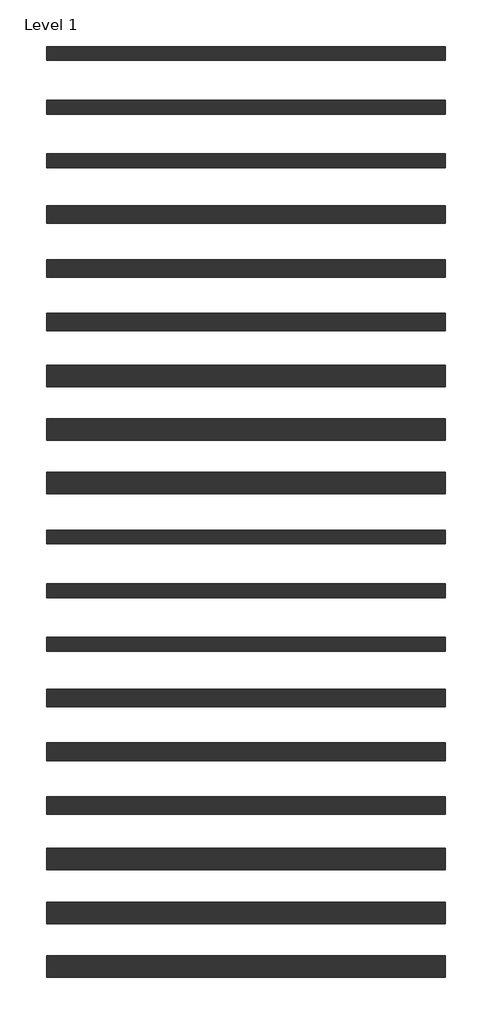
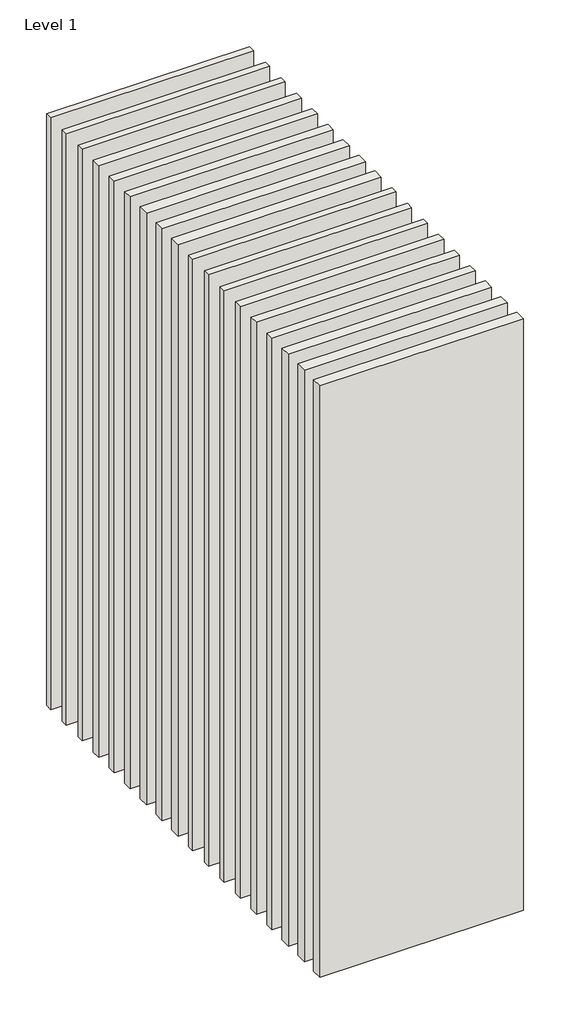
# One storey: 18 walls.
"""IFC4 building model written with IfcOpenShell, lengths in millimetres."""

import ifcopenshell
import ifcopenshell.guid

model = None  # the IFC model being written
_history = None  # IfcOwnerHistory: only IFC2X3 demands one
_inside = {}  # id of a spatial element -> (the spatial element, [elements in it])
_under = {}  # id of a project, library or spatial element -> (it, [spatial elements below it])
_declared = {}  # id of a project -> (the project, [libraries it declares])
_typed = {}  # id of a type object -> (the type object, [elements of that type])
_made_of = {}  # id of a material, layer set ... -> (it, [elements and type objects made of it])


def new_model(schema):
    """Start an empty IFC model of exactly this schema.

    Asked for "IFC4X3", IfcOpenShell would pick the latest addendum, in which some entities
    have other attributes; the version numbers below select the first issue.
    IFC2X3 requires an IfcOwnerHistory on every rooted entity: one is made here for all.
    """
    global model, _history
    if schema == "IFC4X3":
        model = ifcopenshell.file(schema_version=(4, 3, 0, 0))
    else:
        model = ifcopenshell.file(schema=schema)
    _inside.clear()
    _under.clear()
    _declared.clear()
    _typed.clear()
    _made_of.clear()
    _history = None
    if model.schema == "IFC2X3":
        org = make("IfcOrganization", Name="unknown")
        user = make(
            "IfcPersonAndOrganization",
            ThePerson=make("IfcPerson", FamilyName="unknown"),
            TheOrganization=org,
        )
        app = make(
            "IfcApplication",
            ApplicationDeveloper=org,
            Version="unknown",
            ApplicationFullName="unknown",
            ApplicationIdentifier="unknown",
        )
        _history = make(
            "IfcOwnerHistory",
            OwningUser=user,
            OwningApplication=app,
            ChangeAction="ADDED",
            CreationDate=0,
        )
    return model


def make(cls, **values):
    """One entity of the class cls with the attributes given. An attribute that is None is left unset."""
    return model.create_entity(
        cls, **{name: value for name, value in values.items() if value is not None}
    )


def rooted(cls, **values):
    """An entity with a GlobalId (a new one), such as an element, a storey or a relation."""
    return make(cls, GlobalId=ifcopenshell.guid.new(), OwnerHistory=_history, **values)


def si_unit(unit_type, name, prefix=None):
    """IfcSIUnit, for example si_unit("LENGTHUNIT", "METRE", prefix="MILLI")."""
    return make("IfcSIUnit", UnitType=unit_type, Prefix=prefix, Name=name)


def assignment(units):
    """IfcUnitAssignment: the units of a project."""
    return None if units is None else make("IfcUnitAssignment", Units=units)


def point(xyz):
    """IfcCartesianPoint."""
    return None if xyz is None else make("IfcCartesianPoint", Coordinates=xyz)


def direction(xyz):
    """IfcDirection."""
    return None if xyz is None else make("IfcDirection", DirectionRatios=xyz)


def frame(location, z_axis=None, x_axis=None):
    """IfcAxis2Placement3D, a coordinate frame: its origin and axes. An axis left out is left unset."""
    return make(
        "IfcAxis2Placement3D",
        Location=point(location),
        Axis=direction(z_axis),
        RefDirection=direction(x_axis),
    )


def origin():
    """The frame at (0, 0, 0) with its axes left unset."""
    return frame((0.0, 0.0, 0.0))


def origin_with_axes():
    """The frame at (0, 0, 0) with the z axis (0, 0, 1) and the x axis (1, 0, 0) written out."""
    return frame((0.0, 0.0, 0.0), z_axis=(0.0, 0.0, 1.0), x_axis=(1.0, 0.0, 0.0))


def place(relative_to, where):
    """IfcLocalPlacement: puts the frame where relative to a parent placement (None: the world)."""
    return make(
        "IfcLocalPlacement", PlacementRelTo=relative_to, RelativePlacement=where
    )


def context(
    kind, dimensions, precision=None, world=None, true_north=None, identifier=None
):
    """IfcGeometricRepresentationContext, for example the 3D "Model" context."""
    return make(
        "IfcGeometricRepresentationContext",
        ContextIdentifier=identifier,
        ContextType=kind,
        CoordinateSpaceDimension=dimensions,
        Precision=precision,
        WorldCoordinateSystem=world,
        TrueNorth=true_north,
    )


def project(units=None, contexts=None):
    """IfcProject with its units and contexts."""
    return rooted(
        "IfcProject",
        Name="project",
        RepresentationContexts=contexts,
        UnitsInContext=assignment(units),
    )


def spatial(cls, under=None, at=None, **own):
    """A site, building, storey or space (cls), placed at a placement, below another one or the project."""
    s = rooted(cls, ObjectPlacement=at, **own)
    if under is not None:
        _under.setdefault(under.id(), (under, []))[1].append(s)
    return s


def polyline(points):
    """IfcPolyline through the points."""
    return make("IfcPolyline", Points=[point(p) for p in points])


def outline(outer, holes=None, kind="AREA"):
    """IfcArbitraryClosedProfileDef: a profile drawn as a closed curve; with holes, ...WithVoids."""
    if holes is None:
        return make("IfcArbitraryClosedProfileDef", ProfileType=kind, OuterCurve=outer)
    return make(
        "IfcArbitraryProfileDefWithVoids",
        ProfileType=kind,
        OuterCurve=outer,
        InnerCurves=holes,
    )


def extrude(swept, where, along, depth):
    """IfcExtrudedAreaSolid: the profile swept, set in the frame where, extruded along a direction by depth."""
    return make(
        "IfcExtrudedAreaSolid",
        SweptArea=swept,
        Position=where,
        ExtrudedDirection=direction(along),
        Depth=depth,
    )


def shape(context_of_items, identifier, shape_type, items):
    """IfcShapeRepresentation: the items that make up one representation, for example the "Body"."""
    return make(
        "IfcShapeRepresentation",
        ContextOfItems=context_of_items,
        RepresentationIdentifier=identifier,
        RepresentationType=shape_type,
        Items=items,
    )


def made_of(thing, what):
    """Note that an element or type object is made of a material, layer set ...; save() writes the relation."""
    if what is not None:
        _made_of.setdefault(what.id(), (what, []))[1].append(thing)
    return thing


def element(
    cls,
    number,
    at=None,
    inside=None,
    cuts=None,
    type_object=None,
    material=None,
    context=None,
    identifier="Body",
    shape_type=None,
    held_by="IfcProductDefinitionShape",
    body=None,
    shapes=None,
    **own,
):
    """One element of the class cls, such as IfcWall. Its Tag is "e" and its number.

    at: its placement. inside: the storey or other place that contains it. cuts: it is an
    opening in that element (IfcRelVoidsElement). A single representation is given by context,
    identifier, shape_type and body (its items); several are given by shapes. held_by: the class
    of the entity that holds the representations. save() writes the other relations.
    """
    e = rooted(cls, Tag="e%d" % number, ObjectPlacement=at, **own)
    if body is not None:
        shapes = [shape(context, identifier, shape_type, body)]
    if shapes is not None:
        e.Representation = make(held_by, Representations=shapes)
    if inside is not None:
        _inside.setdefault(inside.id(), (inside, []))[1].append(e)
    if cuts is not None:
        rooted(
            "IfcRelVoidsElement", RelatingBuildingElement=cuts, RelatedOpeningElement=e
        )
    if type_object is not None:
        _typed.setdefault(type_object.id(), (type_object, []))[1].append(e)
    return made_of(e, material)


def aggregate(whole, parts):
    """IfcRelAggregates: a whole, such as a stair, and the parts it consists of."""
    return rooted("IfcRelAggregates", RelatingObject=whole, RelatedObjects=parts)


def save(model, path):
    """Write the relations noted so far, then the file.

    IfcRelAggregates (storeys below a building ...), IfcRelContainedInSpatialStructure (elements
    in a storey), IfcRelDefinesByType, IfcRelAssociatesMaterial and IfcRelDeclares: one each for
    every whole, place, type object, material and project.
    """
    for whole, parts in _under.values():
        aggregate(whole, parts)
    for where, things in _inside.values():
        rooted(
            "IfcRelContainedInSpatialStructure",
            RelatedElements=things,
            RelatingStructure=where,
        )
    for kind, things in _typed.values():
        rooted("IfcRelDefinesByType", RelatedObjects=things, RelatingType=kind)
    for what, things in _made_of.values():
        rooted("IfcRelAssociatesMaterial", RelatedObjects=things, RelatingMaterial=what)
    for by, libraries in _declared.values():
        rooted("IfcRelDeclares", RelatingContext=by, RelatedDefinitions=libraries)
    model.write(path)


model = new_model("IFC4")

# Units and contexts
model_context = context("Model", 3, world=origin())
ifc_project = project(units=[si_unit("LENGTHUNIT", "METRE", prefix="MILLI")], contexts=[model_context])

# Site, building, storey
site = spatial("IfcSite", under=ifc_project)
building = spatial("IfcBuilding", under=site)
storey = spatial("IfcBuildingStorey", under=building, Name="Level 1", Elevation=0.0)

# Walls
placement = place(None, origin())
element("IfcWall", 1, at=placement, inside=storey, context=model_context, shape_type="SweptSolid", body=[
    extrude(outline(polyline([(-16904.1464237, 2628.9042935), (-19504.1464237, 2628.9042935), (-19504.1464237, 2743.9042935), (-16904.1464237, 2743.9042935), (-16904.1464237, 2628.9042935)])), origin_with_axes(), (0.0, 0.0, 1.0), 8000.0),
])
element("IfcWall", 2, at=placement, inside=storey, context=model_context, shape_type="SweptSolid", body=[
    extrude(outline(polyline([(-16904.1464237, 2278.9042935), (-19504.1464237, 2278.9042935), (-19504.1464237, 2393.9042935), (-16904.1464237, 2393.9042935), (-16904.1464237, 2278.9042935)])), origin_with_axes(), (0.0, 0.0, 1.0), 8000.0),
])
element("IfcWall", 3, at=placement, inside=storey, context=model_context, shape_type="SweptSolid", body=[
    extrude(outline(polyline([(-16904.1464237, 1928.9042935), (-19504.1464237, 1928.9042935), (-19504.1464237, 2043.9042935), (-16904.1464237, 2043.9042935), (-16904.1464237, 1928.9042935)])), origin_with_axes(), (0.0, 0.0, 1.0), 8000.0),
])
element("IfcWall", 4, at=placement, inside=storey, context=model_context, shape_type="SweptSolid", body=[
    extrude(outline(polyline([(-16904.1464237, 3691.4042935), (-19504.1464237, 3691.4042935), (-19504.1464237, 3781.4042935), (-16904.1464237, 3781.4042935), (-16904.1464237, 3691.4042935)])), origin_with_axes(), (0.0, 0.0, 1.0), 8000.0),
])
element("IfcWall", 5, at=placement, inside=storey, context=model_context, shape_type="SweptSolid", body=[
    extrude(outline(polyline([(-16904.1464237, 3341.4042935), (-19504.1464237, 3341.4042935), (-19504.1464237, 3431.4042935), (-16904.1464237, 3431.4042935), (-16904.1464237, 3341.4042935)])), origin_with_axes(), (0.0, 0.0, 1.0), 8000.0),
])
element("IfcWall", 6, at=placement, inside=storey, context=model_context, shape_type="SweptSolid", body=[
    extrude(outline(polyline([(-16904.1464237, 2991.4042935), (-19504.1464237, 2991.4042935), (-19504.1464237, 3081.4042935), (-16904.1464237, 3081.4042935), (-16904.1464237, 2991.4042935)])), origin_with_axes(), (0.0, 0.0, 1.0), 8000.0),
])
element("IfcWall", 7, at=placement, inside=storey, context=model_context, shape_type="SweptSolid", body=[
    extrude(outline(polyline([(-16904.1464237, 1566.4042935), (-19504.1464237, 1566.4042935), (-19504.1464237, 1706.4042935), (-16904.1464237, 1706.4042935), (-16904.1464237, 1566.4042935)])), origin_with_axes(), (0.0, 0.0, 1.0), 8000.0),
])
element("IfcWall", 8, at=placement, inside=storey, context=model_context, shape_type="SweptSolid", body=[
    extrude(outline(polyline([(-16904.1464237, 1216.4042935), (-19504.1464237, 1216.4042935), (-19504.1464237, 1356.4042935), (-16904.1464237, 1356.4042935), (-16904.1464237, 1216.4042935)])), origin_with_axes(), (0.0, 0.0, 1.0), 8000.0),
])
element("IfcWall", 9, at=placement, inside=storey, context=model_context, shape_type="SweptSolid", body=[
    extrude(outline(polyline([(-16904.1464237, 866.4042935), (-19504.1464237, 866.4042935), (-19504.1464237, 1006.4042935), (-16904.1464237, 1006.4042935), (-16904.1464237, 866.4042935)])), origin_with_axes(), (0.0, 0.0, 1.0), 8000.0),
])
element("IfcWall", 10, at=placement, inside=storey, context=model_context, shape_type="SweptSolid", body=[
    extrude(outline(polyline([(-16904.1464237, 541.4042935), (-19504.1464237, 541.4042935), (-19504.1464237, 631.4042935), (-16904.1464237, 631.4042935), (-16904.1464237, 541.4042935)])), origin_with_axes(), (0.0, 0.0, 1.0), 8000.0),
])
element("IfcWall", 11, at=placement, inside=storey, context=model_context, shape_type="SweptSolid", body=[
    extrude(outline(polyline([(-16904.1464237, 191.4042935), (-19504.1464237, 191.4042935), (-19504.1464237, 281.4042935), (-16904.1464237, 281.4042935), (-16904.1464237, 191.4042935)])), origin_with_axes(), (0.0, 0.0, 1.0), 8000.0),
])
element("IfcWall", 12, at=placement, inside=storey, context=model_context, shape_type="SweptSolid", body=[
    extrude(outline(polyline([(-16904.1464237, -158.5957065), (-19504.1464237, -158.5957065), (-19504.1464237, -68.5957065), (-16904.1464237, -68.5957065), (-16904.1464237, -158.5957065)])), origin_with_axes(), (0.0, 0.0, 1.0), 8000.0),
])
element("IfcWall", 13, at=placement, inside=storey, context=model_context, shape_type="SweptSolid", body=[
    extrude(outline(polyline([(-16904.1464237, -521.0957065), (-19504.1464237, -521.0957065), (-19504.1464237, -406.0957065), (-16904.1464237, -406.0957065), (-16904.1464237, -521.0957065)])), origin_with_axes(), (0.0, 0.0, 1.0), 8000.0),
])
element("IfcWall", 14, at=placement, inside=storey, context=model_context, shape_type="SweptSolid", body=[
    extrude(outline(polyline([(-16904.1464237, -871.0957065), (-19504.1464237, -871.0957065), (-19504.1464237, -756.0957065), (-16904.1464237, -756.0957065), (-16904.1464237, -871.0957065)])), origin_with_axes(), (0.0, 0.0, 1.0), 8000.0),
])
element("IfcWall", 15, at=placement, inside=storey, context=model_context, shape_type="SweptSolid", body=[
    extrude(outline(polyline([(-16904.1464237, -1221.0957065), (-19504.1464237, -1221.0957065), (-19504.1464237, -1106.0957065), (-16904.1464237, -1106.0957065), (-16904.1464237, -1221.0957065)])), origin_with_axes(), (0.0, 0.0, 1.0), 8000.0),
])
element("IfcWall", 16, at=placement, inside=storey, context=model_context, shape_type="SweptSolid", body=[
    extrude(outline(polyline([(-16904.1464237, -1583.5957065), (-19504.1464237, -1583.5957065), (-19504.1464237, -1443.5957065), (-16904.1464237, -1443.5957065), (-16904.1464237, -1583.5957065)])), origin_with_axes(), (0.0, 0.0, 1.0), 8000.0),
])
element("IfcWall", 17, at=placement, inside=storey, context=model_context, shape_type="SweptSolid", body=[
    extrude(outline(polyline([(-16904.1464237, -1933.5957065), (-19504.1464237, -1933.5957065), (-19504.1464237, -1793.5957065), (-16904.1464237, -1793.5957065), (-16904.1464237, -1933.5957065)])), origin_with_axes(), (0.0, 0.0, 1.0), 8000.0),
])
element("IfcWall", 18, at=placement, inside=storey, context=model_context, shape_type="SweptSolid", body=[
    extrude(outline(polyline([(-16904.1464237, -2283.5957065), (-19504.1464237, -2283.5957065), (-19504.1464237, -2143.5957065), (-16904.1464237, -2143.5957065), (-16904.1464237, -2283.5957065)])), origin_with_axes(), (0.0, 0.0, 1.0), 8000.0),
])

save(model, "model.ifc")
